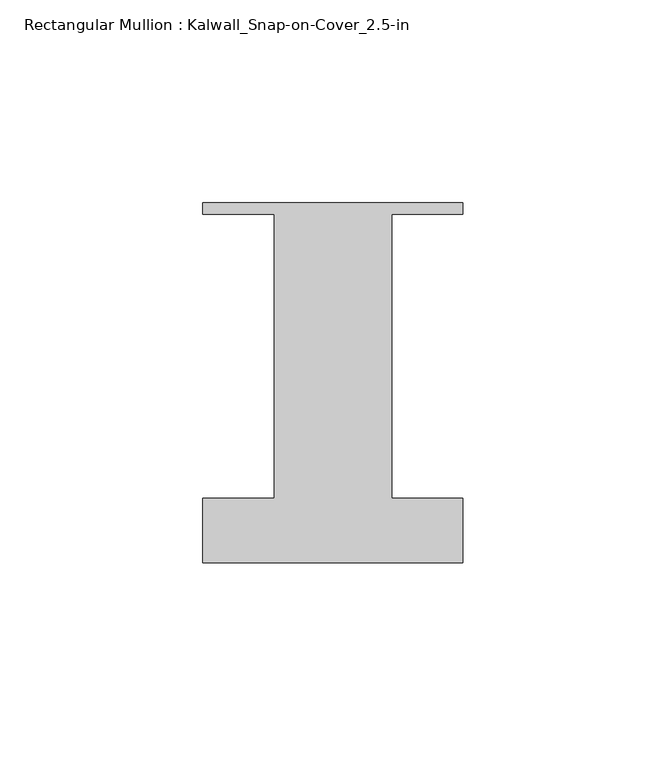
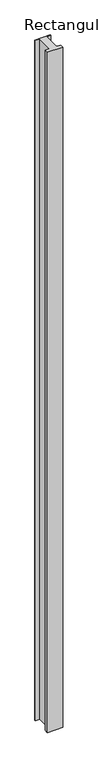
"""IFC4 building model written with IfcOpenShell, lengths in millimetres: member geometry, Rectangular Mullion : Kalwall_Snap-on-Cover_2.5-in."""

from ifc_helpers import new_model, si_unit, frame, origin, place, context, project, spatial, polyline, outline, extrude, source, transform, mapped, element, save


def rectangular_mullion_kalwall_snap_on_cover_2_5_in_2086b014(model_context):
    return source(origin(), model_context, "Body", "SweptSolid", [
        extrude(outline(polyline([(-32.0, 37.794), (32.0, 37.794), (32.0, 35.0), (14.5, 35.0), (14.5, -35.0), (32.0, -35.0), (32.0, -50.875), (-32.0, -50.875), (-32.0, -35.0), (-14.5, -35.0), (-14.5, 35.0), (-32.0, 35.0), (-32.0, 37.794)])), frame((0.0, 0.0, -2971.8), z_axis=(0.0, 0.0, 1.0), x_axis=(1.0, 0.0, 0.0)), (0.0, 0.0, 1.0), 2971.8),
    ])


if __name__ == "__main__":
    model = new_model("IFC4")
    model_context = context("Model", 3, world=origin())
    ifc_project = project(units=[si_unit("LENGTHUNIT", "METRE", prefix="MILLI")], contexts=[model_context])
    site = spatial("IfcSite", under=ifc_project)
    building = spatial("IfcBuilding", under=site)
    placement = place(None, origin())
    rectangular_mullion_kalwall_snap_on_cover_2_5_in_shape = rectangular_mullion_kalwall_snap_on_cover_2_5_in_2086b014(model_context)
    element("IfcMember", 1, ObjectType="Rectangular Mullion : Kalwall_Snap-on-Cover_2.5-in", at=placement, inside=building, context=model_context, shape_type="MappedRepresentation", body=[
        mapped(rectangular_mullion_kalwall_snap_on_cover_2_5_in_shape, transform((0.0, 0.0, 0.0), x_axis=(1.0, 0.0, 0.0), y_axis=(0.0, 1.0, 0.0), z_axis=(0.0, 0.0, 1.0))),
    ])
    save(model, "model.ifc")
